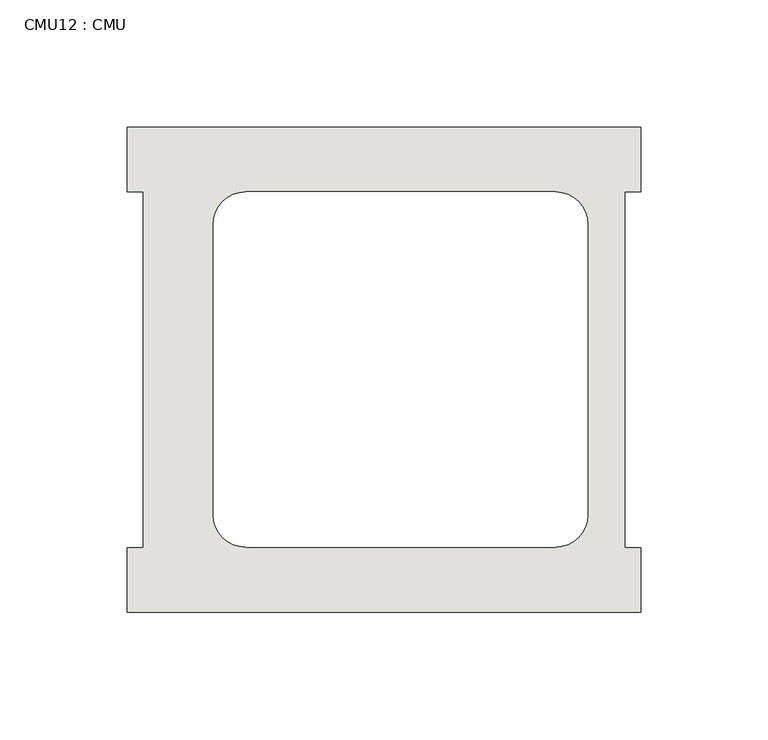
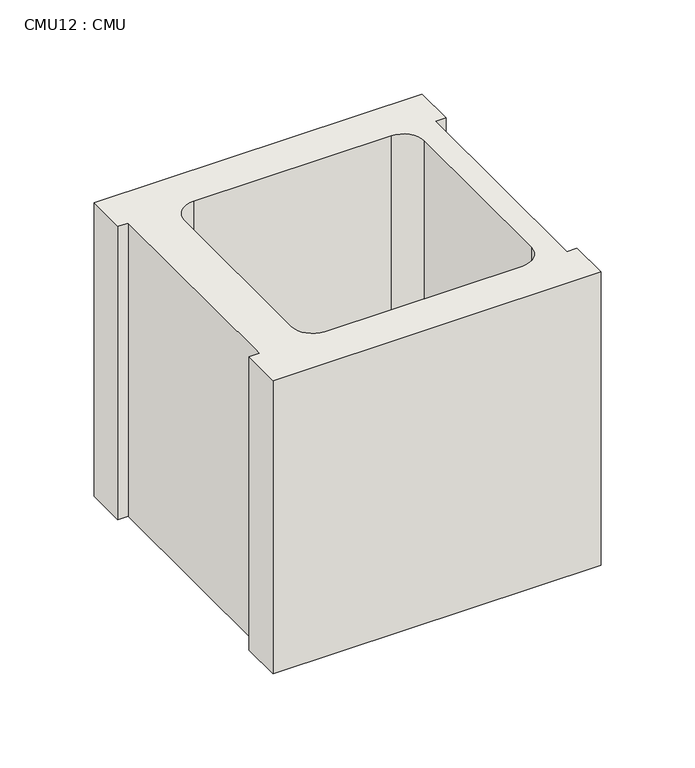
"""IFC4 building model written with IfcOpenShell, lengths in millimetres: wall geometry, CMU12 : CMU."""

from ifc_helpers import new_model, si_unit, point, frame, frame_2d, origin, place, context, project, spatial, polyline, circle_curve, trimmed, segment, composite_curve, outline, extrude, source, transform, mapped, element, save


def cmu12_cmu_03126e0c(model_context):
    return source(origin(), model_context, "Body", "SweptSolid", [
        extrude(outline(polyline([(-544.6397938, 2484.2276522), (-343.0272938, 2484.2276522), (-343.0272938, 2458.8276522), (-349.3772938, 2458.8276522), (-349.3772938, 2319.1276522), (-343.0272938, 2319.1276522), (-343.0272938, 2293.7276522), (-544.6397938, 2293.7276522), (-544.6397938, 2319.1276522), (-538.2897938, 2319.1276522), (-538.2897938, 2458.8276522), (-544.6397938, 2458.8276522), (-544.6397938, 2484.2276522)]), holes=[composite_curve([segment(polyline([(-376.4717951, 2458.8276522), (-498.1884452, 2458.8276522)]), True, "CONTINUOUS"), segment(trimmed(circle_curve(frame_2d((-498.1884452, 2446.1276522)), 12.7), [point((-498.1884452, 2458.8276522))], [point((-510.8884452, 2446.1276522))], True, "CARTESIAN"), True, "CONTINUOUS"), segment(polyline([(-510.8884452, 2446.1276522), (-510.8884452, 2332.0618125)]), True, "CONTINUOUS"), segment(trimmed(circle_curve(frame_2d((-498.1884452, 2332.0618125)), 12.7), [point((-510.8884452, 2332.0618125))], [point((-498.1884452, 2319.3618125))], True, "CARTESIAN"), True, "CONTINUOUS"), segment(polyline([(-498.1884452, 2319.3618125), (-376.4717951, 2319.3618125)]), True, "CONTINUOUS"), segment(trimmed(circle_curve(frame_2d((-376.4717951, 2332.0618125)), 12.7), [point((-376.4717951, 2319.3618125))], [point((-363.7717951, 2332.0618125))], True, "CARTESIAN"), True, "CONTINUOUS"), segment(polyline([(-363.7717951, 2332.0618125), (-363.7717951, 2446.1276522)]), True, "CONTINUOUS"), segment(trimmed(circle_curve(frame_2d((-376.4717951, 2446.1276522)), 12.7), [point((-363.7717951, 2446.1276522))], [point((-376.4717951, 2458.8276522))], True, "CARTESIAN"), True, "CONTINUOUS")], self_intersect=False)]), frame((0.0, 0.0, 317.5), z_axis=(0.0, 0.0, 1.0), x_axis=(1.0, 0.0, 0.0)), (0.0, 0.0, 1.0), 190.5),
    ])


if __name__ == "__main__":
    model = new_model("IFC4")
    model_context = context("Model", 3, world=origin())
    ifc_project = project(units=[si_unit("LENGTHUNIT", "METRE", prefix="MILLI")], contexts=[model_context])
    site = spatial("IfcSite", under=ifc_project)
    building = spatial("IfcBuilding", under=site)
    placement = place(None, origin())
    cmu12_cmu_shape = cmu12_cmu_03126e0c(model_context)
    element("IfcWall", 1, ObjectType="CMU12 : CMU", at=placement, inside=building, context=model_context, shape_type="MappedRepresentation", body=[
        mapped(cmu12_cmu_shape, transform((0.0, 0.0, 0.0), x_axis=(1.0, 0.0, 0.0), y_axis=(0.0, 1.0, 0.0), z_axis=(0.0, 0.0, 1.0))),
    ])
    save(model, "model.ifc")
